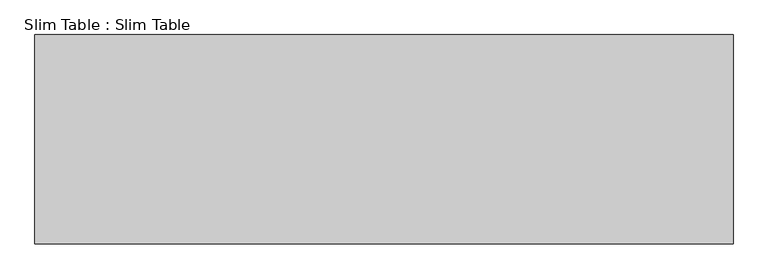
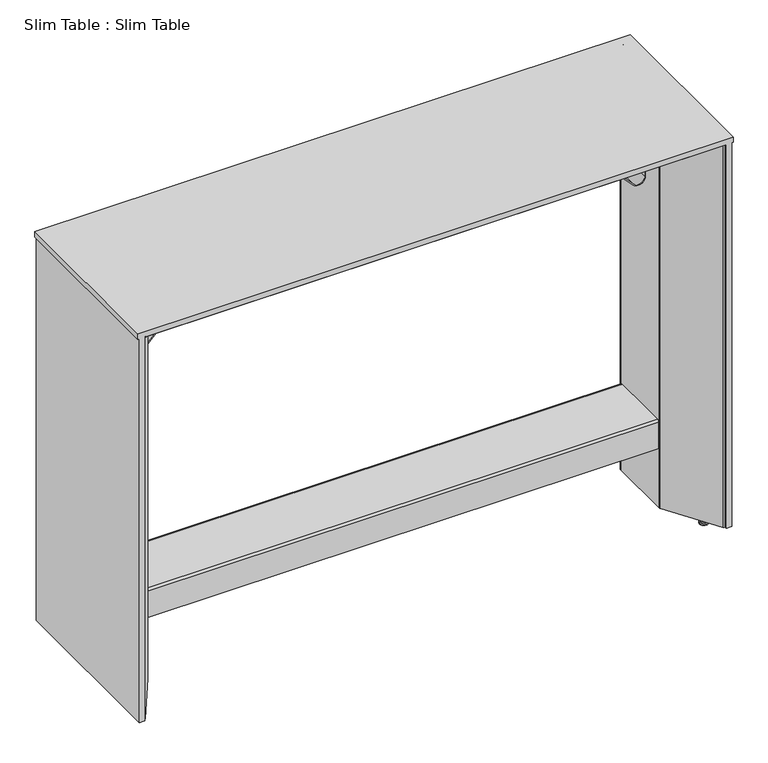
"""IFC4 building model written with IfcOpenShell, lengths in millimetres: furniture geometry, Slim Table : Slim Table."""

from ifc_helpers import new_model, si_unit, point, frame, frame_2d, origin, place, context, project, spatial, polyline, circle_curve, ellipse_curve, trimmed, segment, composite_curve, outline, extrude, source, transform, mapped, element, save
from ifc_brep_helpers import plane_surface, cylinder_surface, revolved_surface, advanced_brep


def slim_table_slim_table_7ae61c7c(model_context):
    return source(origin(), model_context, "Body", "SolidModel", [
        advanced_brep(
        [(726.22973, -167.4830032, 35.5612408), (718.1611758, -167.4830032, 35.5612408), (719.2544866, -167.4830032, 36.5979024), (725.1364192, -167.4830032, 36.5979024), (726.22973, -167.4830032, 11.2847127), (718.1611758, -167.4830032, 11.2847127), (729.7970571, -167.4830032, 11.2847127), (714.5938487, -167.4830032, 11.2847127), (729.7970571, -167.4830032, 7.8393456), (714.5938487, -167.4830032, 7.8393456), (730.8032245, -167.4830032, 5.1867171), (713.5876813, -167.4830032, 5.1867171), (733.3202402, -167.4830032, 3.0183553), (711.0706656, -167.4830032, 3.0183553), (733.3202402, -167.4830032, 0.0), (711.0706656, -167.4830032, 0.0), (722.1954526, -167.4830032, 0.0), (722.1954526, -167.4830032, 36.5979024)],
        [
            (0, 1, circle_curve(frame((722.1954529, -167.4830032, 35.5612408), z_axis=(0.0, 0.0, 1.0), x_axis=(-1.0, 0.0, 0.0)), 4.0342771)),
            (1, 2),
            (2, 3, circle_curve(frame((722.1954529, -167.4830032, 36.5979024), z_axis=(0.0, 0.0, -1.0), x_axis=(-1.0, 0.0, 0.0)), 2.9409663)),
            (3, 0),
            (1, 0, circle_curve(frame((722.1954529, -167.4830032, 35.5612408), z_axis=(0.0, 0.0, 1.0), x_axis=(-1.0, 0.0, 0.0)), 4.0342771)),
            (3, 2, circle_curve(frame((722.1954529, -167.4830032, 36.5979024), z_axis=(0.0, 0.0, -1.0), x_axis=(-1.0, 0.0, 0.0)), 2.9409663)),
            (4, 5, circle_curve(frame((722.1954529, -167.4830032, 11.2847127), z_axis=(0.0, 0.0, 1.0), x_axis=(-1.0, 0.0, 0.0)), 4.0342771)),
            (5, 1),
            (0, 4),
            (5, 4, circle_curve(frame((722.1954529, -167.4830032, 11.2847127), z_axis=(0.0, 0.0, 1.0), x_axis=(-1.0, 0.0, 0.0)), 4.0342771)),
            (6, 7, circle_curve(frame((722.1954529, -167.4830032, 11.2847127), z_axis=(0.0, 0.0, 1.0), x_axis=(-1.0, 0.0, 0.0)), 7.6016042)),
            (7, 5),
            (4, 6),
            (7, 6, circle_curve(frame((722.1954529, -167.4830032, 11.2847127), z_axis=(0.0, 0.0, 1.0), x_axis=(-1.0, 0.0, 0.0)), 7.6016042)),
            (8, 9, circle_curve(frame((722.1954529, -167.4830032, 7.8393456), z_axis=(0.0, 0.0, 1.0), x_axis=(-1.0, 0.0, 0.0)), 7.6016042)),
            (9, 7),
            (6, 8),
            (9, 8, circle_curve(frame((722.1954529, -167.4830032, 7.8393456), z_axis=(0.0, 0.0, 1.0), x_axis=(-1.0, 0.0, 0.0)), 7.6016042)),
            (10, 11, circle_curve(frame((722.1954529, -167.4830032, 5.1867171), z_axis=(0.0, 0.0, 1.0), x_axis=(-1.0, 0.0, 0.0)), 8.6077716)),
            (11, 9),
            (8, 10),
            (11, 10, circle_curve(frame((722.1954529, -167.4830032, 5.1867171), z_axis=(0.0, 0.0, 1.0), x_axis=(-1.0, 0.0, 0.0)), 8.6077716)),
            (12, 13, circle_curve(frame((722.1954529, -167.4830032, 3.0183553), z_axis=(0.0, 0.0, 1.0), x_axis=(-1.0, 0.0, 0.0)), 11.1247873)),
            (13, 11),
            (10, 12),
            (13, 12, circle_curve(frame((722.1954529, -167.4830032, 3.0183553), z_axis=(0.0, 0.0, 1.0), x_axis=(-1.0, 0.0, 0.0)), 11.1247873)),
            (14, 15, circle_curve(frame((722.1954529, -167.4830032, 0.0), z_axis=(0.0, 0.0, 1.0), x_axis=(-1.0, 0.0, 0.0)), 11.1247873)),
            (15, 13),
            (12, 14),
            (15, 14, circle_curve(frame((722.1954529, -167.4830032, 0.0), z_axis=(0.0, 0.0, 1.0), x_axis=(-1.0, 0.0, 0.0)), 11.1247873)),
            (16, 15),
            (14, 16),
            (2, 17),
            (17, 3),
        ],
        [
            revolved_surface(polyline([(719.2544866, -167.4830032, 36.5979024), (718.1611758, -167.4830032, 35.5612408)]), (722.1954529, -167.4830032, 42.7371167), (0.0, 0.0, -1.0)),
            cylinder_surface(frame((722.1954529, -167.4830032, 42.7371167), z_axis=(0.0, 0.0, -1.0), x_axis=(-1.0, 0.0, 0.0)), 4.0342771),
            plane_surface(frame((722.1954529, -167.4830032, 11.2847127), z_axis=(0.0, 0.0, 1.0), x_axis=(-1.0, 0.0, 0.0))),
            cylinder_surface(frame((722.1954529, -167.4830032, 42.7371167), z_axis=(0.0, 0.0, -1.0), x_axis=(-1.0, 0.0, 0.0)), 7.6016042),
            revolved_surface(polyline([(714.5938487, -167.4830032, 7.8393456), (713.5876813, -167.4830032, 5.1867171)]), (722.1954529, -167.4830032, 42.7371167), (0.0, 0.0, -1.0)),
            revolved_surface(polyline([(713.5876813, -167.4830032, 5.1867171), (711.0706656, -167.4830032, 3.0183553)]), (722.1954529, -167.4830032, 42.7371167), (0.0, 0.0, -1.0)),
            cylinder_surface(frame((722.1954529, -167.4830032, 42.7371167), z_axis=(0.0, 0.0, -1.0), x_axis=(-1.0, 0.0, 0.0)), 11.1247873),
            plane_surface(frame((722.1954529, -167.4830032, 0.0), z_axis=(0.0, 0.0, -1.0), x_axis=(-1.0, 0.0, 0.0))),
            plane_surface(frame((722.1954529, -167.4830032, 36.5979024), z_axis=(0.0, 0.0, 1.0), x_axis=(-1.0, 0.0, 0.0))),
        ],
        [
            (0, [[1, 2, 3, 4]]),
            (0, [[5, -4, 6, -2]]),
            (1, [[7, 8, -1, 9]]),
            (1, [[10, -9, -5, -8]]),
            (2, [[11, 12, -7, 13]]),
            (2, [[14, -13, -10, -12]]),
            (3, [[15, 16, -11, 17]]),
            (3, [[18, -17, -14, -16]]),
            (4, [[19, 20, -15, 21]]),
            (4, [[22, -21, -18, -20]]),
            (5, [[23, 24, -19, 25]]),
            (5, [[26, -25, -22, -24]]),
            (6, [[27, 28, -23, 29]]),
            (6, [[30, -29, -26, -28]]),
            (7, [[31, -27, 32]]),
            (7, [[-32, -30, -31]]),
            (8, [[-3, 33, 34]]),
            (8, [[-6, -34, -33]]),
        ],
    ),
        advanced_brep(
        [(726.22973, 167.4676789, 35.5612408), (718.1611758, 167.4676789, 35.5612408), (719.2544866, 167.4676789, 36.5979024), (725.1364192, 167.4676789, 36.5979024), (726.22973, 167.4676789, 11.2847127), (718.1611758, 167.4676789, 11.2847127), (729.7970571, 167.4676789, 11.2847127), (714.5938487, 167.4676789, 11.2847127), (729.7970571, 167.4676789, 7.8393456), (714.5938487, 167.4676789, 7.8393456), (730.8032245, 167.4676789, 5.1867171), (713.5876813, 167.4676789, 5.1867171), (733.3202402, 167.4676789, 3.0183553), (711.0706656, 167.4676789, 3.0183553), (733.3202402, 167.4676789, 0.0), (711.0706656, 167.4676789, 0.0), (722.1954526, 167.4676789, 0.0), (722.1954526, 167.4676789, 36.5979024)],
        [
            (0, 1, circle_curve(frame((722.1954529, 167.4676789, 35.5612408), z_axis=(0.0, 0.0, 1.0), x_axis=(-1.0, 0.0, 0.0)), 4.0342771)),
            (1, 2),
            (2, 3, circle_curve(frame((722.1954529, 167.4676789, 36.5979024), z_axis=(0.0, 0.0, -1.0), x_axis=(-1.0, 0.0, 0.0)), 2.9409663)),
            (3, 0),
            (1, 0, circle_curve(frame((722.1954529, 167.4676789, 35.5612408), z_axis=(0.0, 0.0, 1.0), x_axis=(-1.0, 0.0, 0.0)), 4.0342771)),
            (3, 2, circle_curve(frame((722.1954529, 167.4676789, 36.5979024), z_axis=(0.0, 0.0, -1.0), x_axis=(-1.0, 0.0, 0.0)), 2.9409663)),
            (4, 5, circle_curve(frame((722.1954529, 167.4676789, 11.2847127), z_axis=(0.0, 0.0, 1.0), x_axis=(-1.0, 0.0, 0.0)), 4.0342771)),
            (5, 1),
            (0, 4),
            (5, 4, circle_curve(frame((722.1954529, 167.4676789, 11.2847127), z_axis=(0.0, 0.0, 1.0), x_axis=(-1.0, 0.0, 0.0)), 4.0342771)),
            (6, 7, circle_curve(frame((722.1954529, 167.4676789, 11.2847127), z_axis=(0.0, 0.0, 1.0), x_axis=(-1.0, 0.0, 0.0)), 7.6016042)),
            (7, 5),
            (4, 6),
            (7, 6, circle_curve(frame((722.1954529, 167.4676789, 11.2847127), z_axis=(0.0, 0.0, 1.0), x_axis=(-1.0, 0.0, 0.0)), 7.6016042)),
            (8, 9, circle_curve(frame((722.1954529, 167.4676789, 7.8393456), z_axis=(0.0, 0.0, 1.0), x_axis=(-1.0, 0.0, 0.0)), 7.6016042)),
            (9, 7),
            (6, 8),
            (9, 8, circle_curve(frame((722.1954529, 167.4676789, 7.8393456), z_axis=(0.0, 0.0, 1.0), x_axis=(-1.0, 0.0, 0.0)), 7.6016042)),
            (10, 11, circle_curve(frame((722.1954529, 167.4676789, 5.1867171), z_axis=(0.0, 0.0, 1.0), x_axis=(-1.0, 0.0, 0.0)), 8.6077716)),
            (11, 9),
            (8, 10),
            (11, 10, circle_curve(frame((722.1954529, 167.4676789, 5.1867171), z_axis=(0.0, 0.0, 1.0), x_axis=(-1.0, 0.0, 0.0)), 8.6077716)),
            (12, 13, circle_curve(frame((722.1954529, 167.4676789, 3.0183553), z_axis=(0.0, 0.0, 1.0), x_axis=(-1.0, 0.0, 0.0)), 11.1247873)),
            (13, 11),
            (10, 12),
            (13, 12, circle_curve(frame((722.1954529, 167.4676789, 3.0183553), z_axis=(0.0, 0.0, 1.0), x_axis=(-1.0, 0.0, 0.0)), 11.1247873)),
            (14, 15, circle_curve(frame((722.1954529, 167.4676789, 0.0), z_axis=(0.0, 0.0, 1.0), x_axis=(-1.0, 0.0, 0.0)), 11.1247873)),
            (15, 13),
            (12, 14),
            (15, 14, circle_curve(frame((722.1954529, 167.4676789, 0.0), z_axis=(0.0, 0.0, 1.0), x_axis=(-1.0, 0.0, 0.0)), 11.1247873)),
            (16, 15),
            (14, 16),
            (2, 17),
            (17, 3),
        ],
        [
            revolved_surface(polyline([(719.2544866, 167.4676789, 36.5979024), (718.1611758, 167.4676789, 35.5612408)]), (722.1954529, 167.4676789, 42.7371167), (0.0, 0.0, -1.0)),
            cylinder_surface(frame((722.1954529, 167.4676789, 42.7371167), z_axis=(0.0, 0.0, -1.0), x_axis=(-1.0, 0.0, 0.0)), 4.0342771),
            plane_surface(frame((722.1954529, 167.4676789, 11.2847127), z_axis=(0.0, 0.0, 1.0), x_axis=(-1.0, 0.0, 0.0))),
            cylinder_surface(frame((722.1954529, 167.4676789, 42.7371167), z_axis=(0.0, 0.0, -1.0), x_axis=(-1.0, 0.0, 0.0)), 7.6016042),
            revolved_surface(polyline([(714.5938487, 167.4676789, 7.8393456), (713.5876813, 167.4676789, 5.1867171)]), (722.1954529, 167.4676789, 42.7371167), (0.0, 0.0, -1.0)),
            revolved_surface(polyline([(713.5876813, 167.4676789, 5.1867171), (711.0706656, 167.4676789, 3.0183553)]), (722.1954529, 167.4676789, 42.7371167), (0.0, 0.0, -1.0)),
            cylinder_surface(frame((722.1954529, 167.4676789, 42.7371167), z_axis=(0.0, 0.0, -1.0), x_axis=(-1.0, 0.0, 0.0)), 11.1247873),
            plane_surface(frame((722.1954529, 167.4676789, 0.0), z_axis=(0.0, 0.0, -1.0), x_axis=(-1.0, 0.0, 0.0))),
            plane_surface(frame((722.1954529, 167.4676789, 36.5979024), z_axis=(0.0, 0.0, 1.0), x_axis=(-1.0, 0.0, 0.0))),
        ],
        [
            (0, [[1, 2, 3, 4]]),
            (0, [[5, -4, 6, -2]]),
            (1, [[7, 8, -1, 9]]),
            (1, [[10, -9, -5, -8]]),
            (2, [[11, 12, -7, 13]]),
            (2, [[14, -13, -10, -12]]),
            (3, [[15, 16, -11, 17]]),
            (3, [[18, -17, -14, -16]]),
            (4, [[19, 20, -15, 21]]),
            (4, [[22, -21, -18, -20]]),
            (5, [[23, 24, -19, 25]]),
            (5, [[26, -25, -22, -24]]),
            (6, [[27, 28, -23, 29]]),
            (6, [[30, -29, -26, -28]]),
            (7, [[31, -27, 32]]),
            (7, [[-32, -30, -31]]),
            (8, [[-3, 33, 34]]),
            (8, [[-6, -34, -33]]),
        ],
    ),
        advanced_brep(
        [(-718.1571153, 167.4682602, 35.5612408), (-726.2256696, 167.4682602, 35.5612408), (-725.1323588, 167.4682602, 36.5979024), (-719.2504261, 167.4682602, 36.5979024), (-718.1571153, 167.4682602, 11.2847127), (-726.2256696, 167.4682602, 11.2847127), (-714.5897882, 167.4682602, 11.2847127), (-729.7929966, 167.4682602, 11.2847127), (-714.5897882, 167.4682602, 7.8393456), (-729.7929966, 167.4682602, 7.8393456), (-713.5836209, 167.4682602, 5.1867171), (-730.799164, 167.4682602, 5.1867171), (-711.0666052, 167.4682602, 3.0183553), (-733.3161797, 167.4682602, 3.0183553), (-711.0666052, 167.4682602, 0.0), (-733.3161797, 167.4682602, 0.0), (-722.1913927, 167.4682602, 0.0), (-722.1913927, 167.4682602, 36.5979024)],
        [
            (0, 1, circle_curve(frame((-722.1913924, 167.4682602, 35.5612408), z_axis=(0.0, 0.0, 1.0), x_axis=(-1.0, 0.0, 0.0)), 4.0342771)),
            (1, 2),
            (2, 3, circle_curve(frame((-722.1913924, 167.4682602, 36.5979024), z_axis=(0.0, 0.0, -1.0), x_axis=(-1.0, 0.0, 0.0)), 2.9409663)),
            (3, 0),
            (1, 0, circle_curve(frame((-722.1913924, 167.4682602, 35.5612408), z_axis=(0.0, 0.0, 1.0), x_axis=(-1.0, 0.0, 0.0)), 4.0342771)),
            (3, 2, circle_curve(frame((-722.1913924, 167.4682602, 36.5979024), z_axis=(0.0, 0.0, -1.0), x_axis=(-1.0, 0.0, 0.0)), 2.9409663)),
            (4, 5, circle_curve(frame((-722.1913924, 167.4682602, 11.2847127), z_axis=(0.0, 0.0, 1.0), x_axis=(-1.0, 0.0, 0.0)), 4.0342771)),
            (5, 1),
            (0, 4),
            (5, 4, circle_curve(frame((-722.1913924, 167.4682602, 11.2847127), z_axis=(0.0, 0.0, 1.0), x_axis=(-1.0, 0.0, 0.0)), 4.0342771)),
            (6, 7, circle_curve(frame((-722.1913924, 167.4682602, 11.2847127), z_axis=(0.0, 0.0, 1.0), x_axis=(-1.0, 0.0, 0.0)), 7.6016042)),
            (7, 5),
            (4, 6),
            (7, 6, circle_curve(frame((-722.1913924, 167.4682602, 11.2847127), z_axis=(0.0, 0.0, 1.0), x_axis=(-1.0, 0.0, 0.0)), 7.6016042)),
            (8, 9, circle_curve(frame((-722.1913924, 167.4682602, 7.8393456), z_axis=(0.0, 0.0, 1.0), x_axis=(-1.0, 0.0, 0.0)), 7.6016042)),
            (9, 7),
            (6, 8),
            (9, 8, circle_curve(frame((-722.1913924, 167.4682602, 7.8393456), z_axis=(0.0, 0.0, 1.0), x_axis=(-1.0, 0.0, 0.0)), 7.6016042)),
            (10, 11, circle_curve(frame((-722.1913924, 167.4682602, 5.1867171), z_axis=(0.0, 0.0, 1.0), x_axis=(-1.0, 0.0, 0.0)), 8.6077716)),
            (11, 9),
            (8, 10),
            (11, 10, circle_curve(frame((-722.1913924, 167.4682602, 5.1867171), z_axis=(0.0, 0.0, 1.0), x_axis=(-1.0, 0.0, 0.0)), 8.6077716)),
            (12, 13, circle_curve(frame((-722.1913924, 167.4682602, 3.0183553), z_axis=(0.0, 0.0, 1.0), x_axis=(-1.0, 0.0, 0.0)), 11.1247873)),
            (13, 11),
            (10, 12),
            (13, 12, circle_curve(frame((-722.1913924, 167.4682602, 3.0183553), z_axis=(0.0, 0.0, 1.0), x_axis=(-1.0, 0.0, 0.0)), 11.1247873)),
            (14, 15, circle_curve(frame((-722.1913924, 167.4682602, 0.0), z_axis=(0.0, 0.0, 1.0), x_axis=(-1.0, 0.0, 0.0)), 11.1247873)),
            (15, 13),
            (12, 14),
            (15, 14, circle_curve(frame((-722.1913924, 167.4682602, 0.0), z_axis=(0.0, 0.0, 1.0), x_axis=(-1.0, 0.0, 0.0)), 11.1247873)),
            (16, 15),
            (14, 16),
            (2, 17),
            (17, 3),
        ],
        [
            revolved_surface(polyline([(-725.1323588, 167.4682602, 36.5979024), (-726.2256696, 167.4682602, 35.5612408)]), (-722.1913924, 167.4682602, 42.7371167), (0.0, 0.0, -1.0)),
            cylinder_surface(frame((-722.1913924, 167.4682602, 42.7371167), z_axis=(0.0, 0.0, -1.0), x_axis=(-1.0, 0.0, 0.0)), 4.0342771),
            plane_surface(frame((-722.1913924, 167.4682602, 11.2847127), z_axis=(0.0, 0.0, 1.0), x_axis=(-1.0, 0.0, 0.0))),
            cylinder_surface(frame((-722.1913924, 167.4682602, 42.7371167), z_axis=(0.0, 0.0, -1.0), x_axis=(-1.0, 0.0, 0.0)), 7.6016042),
            revolved_surface(polyline([(-729.7929966, 167.4682602, 7.8393456), (-730.799164, 167.4682602, 5.1867171)]), (-722.1913924, 167.4682602, 42.7371167), (0.0, 0.0, -1.0)),
            revolved_surface(polyline([(-730.799164, 167.4682602, 5.1867171), (-733.3161797, 167.4682602, 3.0183553)]), (-722.1913924, 167.4682602, 42.7371167), (0.0, 0.0, -1.0)),
            cylinder_surface(frame((-722.1913924, 167.4682602, 42.7371167), z_axis=(0.0, 0.0, -1.0), x_axis=(-1.0, 0.0, 0.0)), 11.1247873),
            plane_surface(frame((-722.1913924, 167.4682602, 0.0), z_axis=(0.0, 0.0, -1.0), x_axis=(-1.0, 0.0, 0.0))),
            plane_surface(frame((-722.1913924, 167.4682602, 36.5979024), z_axis=(0.0, 0.0, 1.0), x_axis=(-1.0, 0.0, 0.0))),
        ],
        [
            (0, [[1, 2, 3, 4]]),
            (0, [[5, -4, 6, -2]]),
            (1, [[7, 8, -1, 9]]),
            (1, [[10, -9, -5, -8]]),
            (2, [[11, 12, -7, 13]]),
            (2, [[14, -13, -10, -12]]),
            (3, [[15, 16, -11, 17]]),
            (3, [[18, -17, -14, -16]]),
            (4, [[19, 20, -15, 21]]),
            (4, [[22, -21, -18, -20]]),
            (5, [[23, 24, -19, 25]]),
            (5, [[26, -25, -22, -24]]),
            (6, [[27, 28, -23, 29]]),
            (6, [[30, -29, -26, -28]]),
            (7, [[31, -27, 32]]),
            (7, [[-32, -30, -31]]),
            (8, [[-3, 33, 34]]),
            (8, [[-6, -34, -33]]),
        ],
    ),
        advanced_brep(
        [(-718.1571153, -167.4824097, 35.5612408), (-726.2256696, -167.4824097, 35.5612408), (-725.1323588, -167.4824097, 36.5979024), (-719.2504261, -167.4824097, 36.5979024), (-718.1571153, -167.4824097, 11.2847127), (-726.2256696, -167.4824097, 11.2847127), (-714.5897882, -167.4824097, 11.2847127), (-729.7929966, -167.4824097, 11.2847127), (-714.5897882, -167.4824097, 7.8393456), (-729.7929966, -167.4824097, 7.8393456), (-713.5836209, -167.4824097, 5.1867171), (-730.799164, -167.4824097, 5.1867171), (-711.0666052, -167.4824097, 3.0183553), (-733.3161797, -167.4824097, 3.0183553), (-711.0666052, -167.4824097, 0.0), (-733.3161797, -167.4824097, 0.0), (-722.1913927, -167.4824097, 0.0), (-722.1913927, -167.4824097, 36.5979024)],
        [
            (0, 1, circle_curve(frame((-722.1913924, -167.4824097, 35.5612408), z_axis=(0.0, 0.0, 1.0), x_axis=(-1.0, 0.0, 0.0)), 4.0342771)),
            (1, 2),
            (2, 3, circle_curve(frame((-722.1913924, -167.4824097, 36.5979024), z_axis=(0.0, 0.0, -1.0), x_axis=(-1.0, 0.0, 0.0)), 2.9409663)),
            (3, 0),
            (1, 0, circle_curve(frame((-722.1913924, -167.4824097, 35.5612408), z_axis=(0.0, 0.0, 1.0), x_axis=(-1.0, 0.0, 0.0)), 4.0342771)),
            (3, 2, circle_curve(frame((-722.1913924, -167.4824097, 36.5979024), z_axis=(0.0, 0.0, -1.0), x_axis=(-1.0, 0.0, 0.0)), 2.9409663)),
            (4, 5, circle_curve(frame((-722.1913924, -167.4824097, 11.2847127), z_axis=(0.0, 0.0, 1.0), x_axis=(-1.0, 0.0, 0.0)), 4.0342771)),
            (5, 1),
            (0, 4),
            (5, 4, circle_curve(frame((-722.1913924, -167.4824097, 11.2847127), z_axis=(0.0, 0.0, 1.0), x_axis=(-1.0, 0.0, 0.0)), 4.0342771)),
            (6, 7, circle_curve(frame((-722.1913924, -167.4824097, 11.2847127), z_axis=(0.0, 0.0, 1.0), x_axis=(-1.0, 0.0, 0.0)), 7.6016042)),
            (7, 5),
            (4, 6),
            (7, 6, circle_curve(frame((-722.1913924, -167.4824097, 11.2847127), z_axis=(0.0, 0.0, 1.0), x_axis=(-1.0, 0.0, 0.0)), 7.6016042)),
            (8, 9, circle_curve(frame((-722.1913924, -167.4824097, 7.8393456), z_axis=(0.0, 0.0, 1.0), x_axis=(-1.0, 0.0, 0.0)), 7.6016042)),
            (9, 7),
            (6, 8),
            (9, 8, circle_curve(frame((-722.1913924, -167.4824097, 7.8393456), z_axis=(0.0, 0.0, 1.0), x_axis=(-1.0, 0.0, 0.0)), 7.6016042)),
            (10, 11, circle_curve(frame((-722.1913924, -167.4824097, 5.1867171), z_axis=(0.0, 0.0, 1.0), x_axis=(-1.0, 0.0, 0.0)), 8.6077716)),
            (11, 9),
            (8, 10),
            (11, 10, circle_curve(frame((-722.1913924, -167.4824097, 5.1867171), z_axis=(0.0, 0.0, 1.0), x_axis=(-1.0, 0.0, 0.0)), 8.6077716)),
            (12, 13, circle_curve(frame((-722.1913924, -167.4824097, 3.0183553), z_axis=(0.0, 0.0, 1.0), x_axis=(-1.0, 0.0, 0.0)), 11.1247873)),
            (13, 11),
            (10, 12),
            (13, 12, circle_curve(frame((-722.1913924, -167.4824097, 3.0183553), z_axis=(0.0, 0.0, 1.0), x_axis=(-1.0, 0.0, 0.0)), 11.1247873)),
            (14, 15, circle_curve(frame((-722.1913924, -167.4824097, 0.0), z_axis=(0.0, 0.0, 1.0), x_axis=(-1.0, 0.0, 0.0)), 11.1247873)),
            (15, 13),
            (12, 14),
            (15, 14, circle_curve(frame((-722.1913924, -167.4824097, 0.0), z_axis=(0.0, 0.0, 1.0), x_axis=(-1.0, 0.0, 0.0)), 11.1247873)),
            (16, 15),
            (14, 16),
            (2, 17),
            (17, 3),
        ],
        [
            revolved_surface(polyline([(-725.1323588, -167.4824097, 36.5979024), (-726.2256696, -167.4824097, 35.5612408)]), (-722.1913924, -167.4824097, 42.7371167), (0.0, 0.0, -1.0)),
            cylinder_surface(frame((-722.1913924, -167.4824097, 42.7371167), z_axis=(0.0, 0.0, -1.0), x_axis=(-1.0, 0.0, 0.0)), 4.0342771),
            plane_surface(frame((-722.1913924, -167.4824097, 11.2847127), z_axis=(0.0, 0.0, 1.0), x_axis=(-1.0, 0.0, 0.0))),
            cylinder_surface(frame((-722.1913924, -167.4824097, 42.7371167), z_axis=(0.0, 0.0, -1.0), x_axis=(-1.0, 0.0, 0.0)), 7.6016042),
            revolved_surface(polyline([(-729.7929966, -167.4824097, 7.8393456), (-730.799164, -167.4824097, 5.1867171)]), (-722.1913924, -167.4824097, 42.7371167), (0.0, 0.0, -1.0)),
            revolved_surface(polyline([(-730.799164, -167.4824097, 5.1867171), (-733.3161797, -167.4824097, 3.0183553)]), (-722.1913924, -167.4824097, 42.7371167), (0.0, 0.0, -1.0)),
            cylinder_surface(frame((-722.1913924, -167.4824097, 42.7371167), z_axis=(0.0, 0.0, -1.0), x_axis=(-1.0, 0.0, 0.0)), 11.1247873),
            plane_surface(frame((-722.1913924, -167.4824097, 0.0), z_axis=(0.0, 0.0, -1.0), x_axis=(-1.0, 0.0, 0.0))),
            plane_surface(frame((-722.1913924, -167.4824097, 36.5979024), z_axis=(0.0, 0.0, 1.0), x_axis=(-1.0, 0.0, 0.0))),
        ],
        [
            (0, [[1, 2, 3, 4]]),
            (0, [[5, -4, 6, -2]]),
            (1, [[7, 8, -1, 9]]),
            (1, [[10, -9, -5, -8]]),
            (2, [[11, 12, -7, 13]]),
            (2, [[14, -13, -10, -12]]),
            (3, [[15, 16, -11, 17]]),
            (3, [[18, -17, -14, -16]]),
            (4, [[19, 20, -15, 21]]),
            (4, [[22, -21, -18, -20]]),
            (5, [[23, 24, -19, 25]]),
            (5, [[26, -25, -22, -24]]),
            (6, [[27, 28, -23, 29]]),
            (6, [[30, -29, -26, -28]]),
            (7, [[31, -27, 32]]),
            (7, [[-32, -30, -31]]),
            (8, [[-3, 33, 34]]),
            (8, [[-6, -34, -33]]),
        ],
    ),
        extrude(outline(composite_curve([segment(polyline([(893.7571646, -593.7518814), (895.1120937, -595.1068105), (864.7358803, -624.3678486)]), True, "CONTINUOUS"), segment(trimmed(circle_curve(frame_2d((876.2310587, -636.3088201)), 16.5748583), [point((864.7358803, -624.3678486))], [point((876.2467087, -652.883671))], True, "CARTESIAN"), True, "CONTINUOUS"), segment(polyline([(876.2467087, -652.883671), (930.5717842, -652.8323773), (930.5717842, -654.7908457), (876.0013408, -654.8095702)]), True, "CONTINUOUS"), segment(trimmed(circle_curve(frame_2d((875.8861817, -636.4847204)), 18.3252116), [point((876.0013408, -654.8095702))], [point((863.1564224, -623.3026641))], False, "CARTESIAN"), True, "CONTINUOUS"), segment(polyline([(863.1564224, -623.3026641), (893.7571646, -593.7518814)]), True, "CONTINUOUS")], self_intersect=False)), frame((0.0, -25.3986662, 0.0), z_axis=(0.0, 1.0, 0.0), x_axis=(0.0, 0.0, 1.0)), (0.0, 0.0, 1.0), 50.8),
        extrude(outline(composite_curve([segment(polyline([(893.7571646, 593.7518814), (863.1564224, 623.3026641)]), True, "CONTINUOUS"), segment(trimmed(circle_curve(frame_2d((875.8861817, 636.4847204)), 18.3252116), [point((863.1564224, 623.3026641))], [point((876.0013408, 654.8095702))], False, "CARTESIAN"), True, "CONTINUOUS"), segment(polyline([(876.0013408, 654.8095702), (930.5717842, 654.7908457), (930.5717842, 652.8323773), (876.2467087, 652.883671)]), True, "CONTINUOUS"), segment(trimmed(circle_curve(frame_2d((876.2310587, 636.3088201)), 16.5748583), [point((876.2467087, 652.883671))], [point((864.7358803, 624.3678486))], True, "CARTESIAN"), True, "CONTINUOUS"), segment(polyline([(864.7358803, 624.3678486), (895.1120937, 595.1068105), (893.7571646, 593.7518814)]), True, "CONTINUOUS")], self_intersect=False)), frame((0.0, -25.3986662, 0.0), z_axis=(0.0, 1.0, 0.0), x_axis=(0.0, 0.0, 1.0)), (0.0, 0.0, 1.0), 50.8),
        extrude(outline(composite_curve([segment(polyline([(-81.3329837, 173.9720602), (-83.9999539, 173.9720602), (-83.9999539, 244.8559259)]), True, "CONTINUOUS"), segment(trimmed(circle_curve(frame_2d((-78.6838681, 244.8559259)), 5.3160858), [point((-83.9999539, 244.8559259))], [point((-78.6838681, 250.1720118))], False, "CARTESIAN"), True, "CONTINUOUS"), segment(polyline([(-78.6838681, 250.1720118), (78.6801131, 250.1720118)]), True, "CONTINUOUS"), segment(trimmed(circle_curve(frame_2d((78.6801131, 244.8521407)), 5.319871), [point((78.6801131, 250.1720118))], [point((83.9999842, 244.8521407))], False, "CARTESIAN"), True, "CONTINUOUS"), segment(polyline([(83.9999842, 244.8521407), (83.9999842, 173.9720602), (81.3330079, 173.9720602), (81.3841676, 244.332155)]), True, "CONTINUOUS"), segment(trimmed(circle_curve(frame_2d((78.1598489, 244.332155)), 3.2243187), [point((81.3841676, 244.332155))], [point((78.1598489, 247.5564737))], True, "CARTESIAN"), True, "CONTINUOUS"), segment(polyline([(78.1598489, 247.5564737), (-78.1624892, 247.5564737)]), True, "CONTINUOUS"), segment(trimmed(circle_curve(frame_2d((-78.1624892, 244.3345531)), 3.2219206), [point((-78.1624892, 247.5564737))], [point((-81.3844098, 244.3345531))], True, "CARTESIAN"), True, "CONTINUOUS"), segment(polyline([(-81.3844098, 244.3345531), (-81.3329837, 173.9720602)]), True, "CONTINUOUS")], self_intersect=False)), frame((-655.6422902, 0.0, 0.0), z_axis=(1.0, 0.0, 0.0), x_axis=(0.0, 1.0, 0.0)), (0.0, 0.0, 1.0), 1311.2876385),
        advanced_brep(
        [(-656.1928771, -89.033848, 13.5719913), (-739.1312881, -221.7629832, 13.5719913), (-744.7493481, -220.1520297, 13.5719913), (-744.7493481, -194.9995739, 13.5719913), (-743.8563794, -194.9995739, 13.5719913), (-743.8563794, -220.1520297, 13.5719913), (-739.8885684, -221.2897817, 13.5719913), (-656.9501574, -88.5606465, 13.5719913), (-655.6423083, -83.9996386, 13.5719913), (-655.642272, 84.0004083, 13.5719913), (-656.9496163, 88.559662, 13.5719913), (-739.8884984, 221.2896333, 13.5719913), (-743.8563052, 220.151884, 13.5719913), (-743.8563156, 194.9994468, 13.5719913), (-744.7492391, 194.9994468, 13.5719913), (-744.7492739, 220.1518844, 13.5719913), (-739.1312179, 221.7628346, 13.5719913), (-656.1923359, 89.0328632, 13.5719913), (-654.7493032, 84.0004081, 13.5719913), (-654.7493396, -83.9996388, 13.5719913), (-656.1928771, -89.033848, 964.6345698), (-739.1312881, -221.7629832, 1047.5729807), (-744.7493481, -220.1520297, 1053.1910408), (-744.7493481, -194.9995739, 1053.1910408), (744.7524063, -194.9995739, 1053.1910408), (744.7524063, -194.9995739, 13.571846), (743.8594376, -194.9995739, 13.571846), (743.8594376, -194.9995739, 1052.2980721), (-743.8563794, -194.9995739, 1052.2980721), (-743.8563794, -220.1520297, 1052.2980721), (-739.8885684, -221.2897817, 1048.3302611), (-656.9501574, -88.5606465, 965.3918501), (-655.6423083, -83.9996386, 964.084001), (-655.642272, 84.0004083, 964.0839647), (-656.9496163, 88.559662, 965.391309), (-739.8884984, 221.2896333, 1048.3301911), (-743.8563052, 220.151884, 1052.2979979), (-743.8563156, 194.9994468, 1052.2980083), (743.8593738, 194.9994468, 1052.2980083), (743.8593738, 194.9994468, 13.571846), (744.7522973, 194.9994468, 13.571846), (744.7522973, 194.9994468, 1053.1909318), (-744.7492391, 194.9994468, 1053.1909318), (-744.7492739, 220.1518844, 1053.1909666), (-739.1312179, 221.7628346, 1047.5729106), (-656.1923359, 89.0328632, 964.6340286), (-654.7493032, 84.0004081, 963.1909959), (-654.7493396, -83.9996388, 963.1910323), (656.1959353, -89.033848, 964.6345698), (739.1343463, -221.7629832, 1047.5729807), (744.7524063, -220.1520297, 1053.1910408), (743.8594376, -220.1520297, 1052.2980721), (739.8916266, -221.2897817, 1048.3302611), (656.9532156, -88.5606465, 965.3918501), (655.6453665, -83.9996386, 964.084001), (655.6453302, 84.0004083, 964.0839647), (656.9526745, 88.559662, 965.391309), (739.8915566, 221.2896333, 1048.3301911), (743.8593634, 220.151884, 1052.2979979), (744.7523321, 220.1518844, 1053.1909666), (739.1342761, 221.7628346, 1047.5729106), (656.1953941, 89.0328632, 964.6340286), (654.7523614, 84.0004081, 963.1909959), (654.7523978, -83.9996388, 963.1910323), (656.1959353, -89.033848, 13.571846), (654.7523978, -83.9996388, 13.571846), (654.7523614, 84.0004081, 13.571846), (656.195394, 89.0328633, 13.571846), (739.1342761, 221.7628346, 13.571846), (744.7523321, 220.1518844, 13.571846), (743.8593634, 220.151884, 13.571846), (739.8915566, 221.2896333, 13.571846), (656.9526745, 88.5596619, 13.571846), (655.6453302, 84.0004083, 13.571846), (655.6453665, -83.9996386, 13.571846), (656.9532156, -88.5606465, 13.571846), (739.8916266, -221.2897817, 13.571846), (743.8594376, -220.1520297, 13.571846), (744.7524063, -220.1520297, 13.571846), (739.1343463, -221.7629832, 13.571846)],
        [
            (0, 1),
            (1, 2, circle_curve(frame((-741.7093513, -220.1520297, 13.5719913), z_axis=(0.0, 0.0, -1.0), x_axis=(1.0, 0.0, 0.0)), 3.0399969)),
            (2, 3),
            (3, 4),
            (4, 5),
            (5, 6, circle_curve(frame((-741.7093513, -220.1520297, 13.5719913), z_axis=(0.0, 0.0, 1.0), x_axis=(1.0, 0.0, 0.0)), 2.1470281)),
            (6, 7),
            (7, 8, circle_curve(frame((-664.2492951, -83.9996367, 13.5719913), z_axis=(0.0, 0.0, 1.0), x_axis=(1.0, 0.0, 0.0)), 8.6069868)),
            (8, 9),
            (9, 10, circle_curve(frame((-664.2459452, 84.0004101, 13.5719913), z_axis=(0.0, 0.0, 1.0), x_axis=(1.0, 0.0, 0.0)), 8.6036732)),
            (10, 11),
            (11, 12, circle_curve(frame((-741.7092795, 220.1518831, 13.5719913), z_axis=(0.0, 0.0, 1.0), x_axis=(1.0, 0.0, 0.0)), 2.1470257)),
            (12, 13),
            (13, 14),
            (14, 15),
            (15, 16, circle_curve(frame((-741.7092795, 220.1518831, 13.5719913), z_axis=(0.0, 0.0, -1.0), x_axis=(1.0, 0.0, 0.0)), 3.0399945)),
            (16, 17),
            (17, 18, circle_curve(frame((-664.2459452, 84.0004101, 13.5719913), z_axis=(0.0, 0.0, -1.0), x_axis=(1.0, 0.0, 0.0)), 9.496642)),
            (18, 19),
            (19, 0, circle_curve(frame((-664.2492951, -83.9996367, 13.5719913), z_axis=(0.0, 0.0, -1.0), x_axis=(1.0, 0.0, 0.0)), 9.4999556)),
            (0, 20),
            (20, 21),
            (21, 1),
            (21, 22, ellipse_curve(frame((-741.7093513, -220.1520297, 1050.1510439), z_axis=(-0.7071067811865475, 0.0, -0.7071067811865476), x_axis=(0.7071067811865475, 0.0, -0.7071067811865475)), 4.2992048, 3.0399969)),
            (22, 2),
            (22, 23),
            (23, 3),
            (23, 24),
            (24, 25),
            (25, 26),
            (26, 27),
            (27, 28),
            (28, 4),
            (28, 29),
            (29, 5),
            (29, 30, ellipse_curve(frame((-741.7093513, -220.1520297, 1050.1510439), z_axis=(0.7071067811865475, 0.0, 0.7071067811865476), x_axis=(-0.7071067811865475, 0.0, 0.7071067811865475)), 3.0363563, 2.1470281)),
            (30, 6),
            (30, 31),
            (31, 7),
            (31, 32, ellipse_curve(frame((-664.2492951, -83.9996367, 972.6909878), z_axis=(0.7071067811865475, 0.0, 0.7071067811865476), x_axis=(-0.7071067811865475, 0.0, 0.7071067811865475)), 12.1721175, 8.6069868)),
            (32, 8),
            (32, 33),
            (33, 9),
            (33, 34, ellipse_curve(frame((-664.2459452, 84.0004101, 972.6876379), z_axis=(0.7071067811865475, 0.0, 0.7071067811865476), x_axis=(-0.7071067811865475, 0.0, 0.7071067811865475)), 12.1674314, 8.6036732)),
            (34, 10),
            (34, 35),
            (35, 11),
            (35, 36, ellipse_curve(frame((-741.7092795, 220.1518831, 1050.1509722), z_axis=(0.7071067811865475, 0.0, 0.7071067811865476), x_axis=(-0.7071067811865475, 0.0, 0.7071067811865475)), 3.0363529, 2.1470257)),
            (36, 12),
            (36, 37),
            (37, 13),
            (37, 38),
            (38, 39),
            (39, 40),
            (40, 41),
            (41, 42),
            (42, 14),
            (42, 43),
            (43, 15),
            (43, 44, ellipse_curve(frame((-741.7092795, 220.1518831, 1050.1509722), z_axis=(-0.7071067811865475, 0.0, -0.7071067811865476), x_axis=(0.7071067811865475, 0.0, -0.7071067811865475)), 4.2992014, 3.0399945)),
            (44, 16),
            (44, 45),
            (45, 17),
            (45, 46, ellipse_curve(frame((-664.2459452, 84.0004101, 972.6876379), z_axis=(-0.7071067811865475, 0.0, -0.7071067811865476), x_axis=(0.7071067811865475, 0.0, -0.7071067811865475)), 13.4302799, 9.496642)),
            (46, 18),
            (46, 47),
            (47, 19),
            (47, 20, ellipse_curve(frame((-664.2492951, -83.9996367, 972.6909878), z_axis=(-0.7071067811865475, 0.0, -0.7071067811865476), x_axis=(0.7071067811865475, 0.0, -0.7071067811865475)), 13.434966, 9.4999556)),
            (20, 48),
            (48, 49),
            (49, 21),
            (49, 50, ellipse_curve(frame((741.7124095, -220.1520297, 1050.1510439), z_axis=(-0.7071067811865475, 0.0, 0.7071067811865475), x_axis=(-0.7071067811865476, 0.0, -0.7071067811865474)), 4.2992048, 3.0399969)),
            (50, 22),
            (50, 24),
            (27, 51),
            (51, 29),
            (51, 52, ellipse_curve(frame((741.7124095, -220.1520297, 1050.1510439), z_axis=(0.7071067811865475, 0.0, -0.7071067811865475), x_axis=(0.7071067811865476, 0.0, 0.7071067811865474)), 3.0363563, 2.1470281)),
            (52, 30),
            (52, 53),
            (53, 31),
            (53, 54, ellipse_curve(frame((664.2523533, -83.9996367, 972.6909878), z_axis=(0.7071067811865475, 0.0, -0.7071067811865475), x_axis=(0.7071067811865476, 0.0, 0.7071067811865474)), 12.1721175, 8.6069868)),
            (54, 32),
            (54, 55),
            (55, 33),
            (55, 56, ellipse_curve(frame((664.2490034, 84.0004101, 972.6876379), z_axis=(0.7071067811865475, 0.0, -0.7071067811865475), x_axis=(0.7071067811865476, 0.0, 0.7071067811865474)), 12.1674314, 8.6036732)),
            (56, 34),
            (56, 57),
            (57, 35),
            (57, 58, ellipse_curve(frame((741.7123377, 220.1518831, 1050.1509722), z_axis=(0.7071067811865475, 0.0, -0.7071067811865475), x_axis=(0.7071067811865476, 0.0, 0.7071067811865474)), 3.0363529, 2.1470257)),
            (58, 36),
            (58, 38),
            (41, 59),
            (59, 43),
            (59, 60, ellipse_curve(frame((741.7123377, 220.1518831, 1050.1509722), z_axis=(-0.7071067811865475, 0.0, 0.7071067811865475), x_axis=(-0.7071067811865476, 0.0, -0.7071067811865474)), 4.2992014, 3.0399945)),
            (60, 44),
            (60, 61),
            (61, 45),
            (61, 62, ellipse_curve(frame((664.2490034, 84.0004101, 972.6876379), z_axis=(-0.7071067811865475, 0.0, 0.7071067811865475), x_axis=(-0.7071067811865476, 0.0, -0.7071067811865474)), 13.4302799, 9.496642)),
            (62, 46),
            (62, 63),
            (63, 47),
            (63, 48, ellipse_curve(frame((664.2523533, -83.9996367, 972.6909878), z_axis=(-0.7071067811865475, 0.0, 0.7071067811865475), x_axis=(-0.7071067811865476, 0.0, -0.7071067811865474)), 13.434966, 9.4999556)),
            (64, 65, circle_curve(frame((664.2523533, -83.9996367, 13.571846), z_axis=(0.0, 0.0, -1.0), x_axis=(-1.0, 0.0, 0.0)), 9.4999556)),
            (65, 66),
            (66, 67, circle_curve(frame((664.2490034, 84.0004101, 13.571846), z_axis=(0.0, 0.0, -1.0), x_axis=(-1.0, 0.0, 0.0)), 9.496642)),
            (67, 68),
            (68, 69, circle_curve(frame((741.7123377, 220.1518831, 13.571846), z_axis=(0.0, 0.0, -1.0), x_axis=(-1.0, 0.0, 0.0)), 3.0399945)),
            (69, 40),
            (39, 70),
            (70, 71, circle_curve(frame((741.7123377, 220.1518831, 13.571846), z_axis=(0.0, 0.0, 1.0), x_axis=(-1.0, 0.0, 0.0)), 2.1470257)),
            (71, 72),
            (72, 73, circle_curve(frame((664.2490034, 84.0004101, 13.571846), z_axis=(0.0, 0.0, 1.0), x_axis=(-1.0, 0.0, 0.0)), 8.6036732)),
            (73, 74),
            (74, 75, circle_curve(frame((664.2523533, -83.9996367, 13.571846), z_axis=(0.0, 0.0, 1.0), x_axis=(-1.0, 0.0, 0.0)), 8.6069868)),
            (75, 76),
            (76, 77, circle_curve(frame((741.7124095, -220.1520297, 13.571846), z_axis=(0.0, 0.0, 1.0), x_axis=(-1.0, 0.0, 0.0)), 2.1470281)),
            (77, 26),
            (25, 78),
            (78, 79, circle_curve(frame((741.7124095, -220.1520297, 13.571846), z_axis=(0.0, 0.0, -1.0), x_axis=(-1.0, 0.0, 0.0)), 3.0399969)),
            (79, 64),
            (48, 64),
            (79, 49),
            (78, 50),
            (77, 51),
            (76, 52),
            (75, 53),
            (74, 54),
            (73, 55),
            (72, 56),
            (71, 57),
            (70, 58),
            (69, 59),
            (68, 60),
            (67, 61),
            (66, 62),
            (65, 63),
        ],
        [
            plane_surface(frame((-744.7503201, -228.5999879, 13.5719913), z_axis=(0.0, 0.0, -1.0), x_axis=(0.0, -1.0, 0.0))),
            plane_surface(frame((-656.1928771, -89.033848, 13.5719913), z_axis=(0.8480479746304278, -0.5299194587154064, 0.0), x_axis=(0.0, 0.0, 1.0))),
            cylinder_surface(frame((-741.7093513, -220.1520297, 13.5719913), z_axis=(0.0, 0.0, -1.0), x_axis=(1.0, 0.0, 0.0)), 3.0399969),
            plane_surface(frame((-744.7493481, -220.1520297, 13.5719913), z_axis=(-1.0, 0.0, 0.0), x_axis=(0.0, 0.0, 1.0))),
            plane_surface(frame((-744.7493481, -194.9995739, 13.5719913), z_axis=(0.0, 1.0, 0.0), x_axis=(0.0, 0.0, 1.0))),
            plane_surface(frame((-743.8563794, -194.9995739, 13.5719913), z_axis=(1.0, 0.0, 0.0), x_axis=(0.0, 0.0, 1.0))),
            revolved_surface(polyline([(-739.5623232, -220.1520297, 1052.2980721), (-739.5623232, -220.1520297, 13.5719913)]), (-741.7093513, -220.1520297, 13.5719913), (0.0, 0.0, 1.0)),
            plane_surface(frame((-739.8885684, -221.2897817, 13.5719913), z_axis=(-0.848047974630428, 0.5299194587154061, 0.0), x_axis=(0.0, 0.0, 1.0))),
            revolved_surface(polyline([(-655.6423083000001, -83.9996367, 981.2979746256494), (-655.6423083000001, -83.9996367, 13.5719913)]), (-664.2492951, -83.9996367, 13.5719913), (0.0, 0.0, 1.0)),
            plane_surface(frame((-655.6423083, -83.9996386, 13.5719913), z_axis=(-0.9999999999999767, 2.1628099945979884e-07, 0.0), x_axis=(0.0, 0.0, 1.0))),
            revolved_surface(polyline([(-655.642272, 84.0004101, 981.2913111525621), (-655.642272, 84.0004101, 13.5719913)]), (-664.2459452, 84.0004101, 13.5719913), (0.0, 0.0, 1.0)),
            plane_surface(frame((-656.9496163, 88.5596619, 13.5719913), z_axis=(-0.8480481224222047, -0.5299192221991701, 0.0), x_axis=(0.0, 0.0, 1.0))),
            revolved_surface(polyline([(-739.5622538, 220.1518831, 1052.2979979256654), (-739.5622538, 220.1518831, 13.5719913)]), (-741.7092795, 220.1518831, 13.5719913), (0.0, 0.0, 1.0)),
            plane_surface(frame((-743.8563052, 220.151884, 13.5719913), z_axis=(0.9999999999999144, -4.1379219025168203e-07, 0.0), x_axis=(0.0, 0.0, 1.0))),
            plane_surface(frame((-743.8563156, 194.9994468, 13.5719913), z_axis=(0.0, -1.0, 0.0), x_axis=(0.0, 0.0, 1.0))),
            plane_surface(frame((-744.749283, 198.1994452, 13.5719913), z_axis=(-0.9999999999999144, 4.1379219025168266e-07, 0.0), x_axis=(0.0, 0.0, 1.0))),
            cylinder_surface(frame((-741.7092795, 220.1518831, 13.5719913), z_axis=(0.0, 0.0, -1.0), x_axis=(1.0, 0.0, 0.0)), 3.0399945),
            plane_surface(frame((-739.1312179, 221.7628346, 13.5719913), z_axis=(0.8480481224222048, 0.52991922219917, 0.0), x_axis=(0.0, 0.0, 1.0))),
            cylinder_surface(frame((-664.2459452, 84.0004101, 13.5719913), z_axis=(0.0, 0.0, -1.0), x_axis=(1.0, 0.0, 0.0)), 9.496642),
            plane_surface(frame((-654.7493032, 84.0004081, 13.5719913), z_axis=(0.9999999999999767, -2.1628099917122027e-07, 0.0), x_axis=(0.0, 0.0, 1.0))),
            cylinder_surface(frame((-664.2492951, -83.9996367, 13.5719913), z_axis=(0.0, 0.0, -1.0), x_axis=(1.0, 0.0, 0.0)), 9.4999556),
            plane_surface(frame((-656.1928771, -89.033848, 964.6345698), z_axis=(0.0, -0.5299194587154064, -0.8480479746304278), x_axis=(1.0, 0.0, 0.0))),
            cylinder_surface(frame((-744.7503201, -220.1520297, 1050.1510439), z_axis=(-1.0, 0.0, 0.0), x_axis=(0.0, 0.0, -1.0)), 3.0399969),
            plane_surface(frame((-744.7493481, -220.1520297, 1053.1910408), z_axis=(0.0, 0.0, 1.0), x_axis=(1.0, 0.0, 0.0))),
            plane_surface(frame((-743.8563794, -194.9995739, 1052.2980721), z_axis=(0.0, 0.0, -1.0), x_axis=(1.0, 0.0, 0.0))),
            revolved_surface(polyline([(743.8594376298283, -220.1520297, 1048.0040158000002), (-743.8563794298285, -220.1520297, 1048.0040158000002)]), (-744.7503201, -220.1520297, 1050.1510439), (1.0, 0.0, 0.0)),
            plane_surface(frame((-739.8885684, -221.2897817, 1048.3302611), z_axis=(0.0, 0.5299194587154061, 0.848047974630428), x_axis=(1.0, 0.0, 0.0))),
            revolved_surface(polyline([(672.8593401256494, -83.9996367, 964.0840010000001), (-672.8562819256495, -83.9996367, 964.0840010000001)]), (-744.7503201, -83.9996367, 972.6909878), (1.0, 0.0, 0.0)),
            plane_surface(frame((-655.6423083, -83.9996386, 964.084001), z_axis=(0.0, 2.1628099952489877e-07, 0.9999999999999767), x_axis=(1.0, 0.0, 0.0))),
            revolved_surface(polyline([(672.8526766525622, 84.0004101, 964.0839647), (-672.8496184525621, 84.0004101, 964.0839647)]), (-744.7503201, 84.0004101, 972.6876379), (1.0, 0.0, 0.0)),
            plane_surface(frame((-656.9496163, 88.5596619, 965.391309), z_axis=(0.0, -0.5299192221991701, 0.8480481224222047), x_axis=(1.0, 0.0, 0.0))),
            revolved_surface(polyline([(743.8593634256654, 220.1518831, 1048.0039465), (-743.8563052256654, 220.1518831, 1048.0039465)]), (-744.7503201, 220.1518831, 1050.1509722), (1.0, 0.0, 0.0)),
            plane_surface(frame((-743.8563052, 220.151884, 1052.2979979), z_axis=(0.0, -4.1379219031678196e-07, -0.9999999999999144), x_axis=(1.0, 0.0, 0.0))),
            plane_surface(frame((-744.749283, 198.1994452, 1053.1909757), z_axis=(0.0, 4.137921903167826e-07, 0.9999999999999144), x_axis=(1.0, 0.0, 0.0))),
            cylinder_surface(frame((-744.7503201, 220.1518831, 1050.1509722), z_axis=(-1.0, 0.0, 0.0), x_axis=(0.0, 0.0, -1.0)), 3.0399945),
            plane_surface(frame((-739.1312179, 221.7628346, 1047.5729106), z_axis=(0.0, 0.52991922219917, -0.8480481224222048), x_axis=(1.0, 0.0, 0.0))),
            cylinder_surface(frame((-744.7503201, 84.0004101, 972.6876379), z_axis=(-1.0, 0.0, 0.0), x_axis=(0.0, 0.0, -1.0)), 9.496642),
            plane_surface(frame((-654.7493032, 84.0004081, 963.1909959), z_axis=(0.0, -2.162809992363202e-07, -0.9999999999999767), x_axis=(1.0, 0.0, 0.0))),
            cylinder_surface(frame((-744.7503201, -83.9996367, 972.6909878), z_axis=(-1.0, 0.0, 0.0), x_axis=(0.0, 0.0, -1.0)), 9.4999556),
            plane_surface(frame((744.7533783, -228.5999879, 13.571846), z_axis=(0.0, 0.0, -1.0), x_axis=(0.0, -1.0, 0.0))),
            plane_surface(frame((656.1959353, -89.033848, 964.6345698), z_axis=(-0.8480479746304278, -0.5299194587154064, 0.0), x_axis=(0.0, 0.0, -1.0))),
            cylinder_surface(frame((741.7124095, -220.1520297, 1053.1920128), z_axis=(0.0, 0.0, 1.0), x_axis=(-1.0, 0.0, 0.0)), 3.0399969),
            plane_surface(frame((744.7524063, -220.1520297, 1053.1910408), z_axis=(1.0, 0.0, 0.0), x_axis=(0.0, 0.0, -1.0))),
            plane_surface(frame((743.8594376, -194.9995739, 1052.2980721), z_axis=(-1.0, 0.0, 0.0), x_axis=(0.0, 0.0, -1.0))),
            revolved_surface(polyline([(739.5653814, -220.1520297, 13.57184600000005), (739.5653814, -220.1520297, 1052.2980721)]), (741.7124095, -220.1520297, 1053.1920128), (0.0, 0.0, -1.0)),
            plane_surface(frame((739.8916266, -221.2897817, 1048.3302611), z_axis=(0.848047974630428, 0.5299194587154061, 0.0), x_axis=(0.0, 0.0, -1.0))),
            revolved_surface(polyline([(655.6453665, -83.9996367, 13.57184600000005), (655.6453665, -83.9996367, 981.2979746256494)]), (664.2523533, -83.9996367, 1053.1920128), (0.0, 0.0, -1.0)),
            plane_surface(frame((655.6453665, -83.9996386, 964.084001), z_axis=(0.9999999999999767, 2.1628099945979884e-07, 0.0), x_axis=(0.0, 0.0, -1.0))),
            revolved_surface(polyline([(655.6453302, 84.0004101, 13.57184600000005), (655.6453302, 84.0004101, 981.2913111525621)]), (664.2490034, 84.0004101, 1053.1920128), (0.0, 0.0, -1.0)),
            plane_surface(frame((656.9526745, 88.5596619, 965.391309), z_axis=(0.8480481224222047, -0.5299192221991701, 0.0), x_axis=(0.0, 0.0, -1.0))),
            revolved_surface(polyline([(739.5653120000001, 220.1518831, 13.57184600000005), (739.5653120000001, 220.1518831, 1052.2979979256654)]), (741.7123377, 220.1518831, 1053.1920128), (0.0, 0.0, -1.0)),
            plane_surface(frame((743.8593634, 220.151884, 1052.2979979), z_axis=(-0.9999999999999144, -4.1379219025168203e-07, 0.0), x_axis=(0.0, 0.0, -1.0))),
            plane_surface(frame((744.7523412, 198.1994452, 1053.1909757), z_axis=(0.9999999999999144, 4.1379219025168266e-07, 0.0), x_axis=(0.0, 0.0, -1.0))),
            cylinder_surface(frame((741.7123377, 220.1518831, 1053.1920128), z_axis=(0.0, 0.0, 1.0), x_axis=(-1.0, 0.0, 0.0)), 3.0399945),
            plane_surface(frame((739.1342761, 221.7628346, 1047.5729106), z_axis=(-0.8480481224222048, 0.52991922219917, 0.0), x_axis=(0.0, 0.0, -1.0))),
            cylinder_surface(frame((664.2490034, 84.0004101, 1053.1920128), z_axis=(0.0, 0.0, 1.0), x_axis=(-1.0, 0.0, 0.0)), 9.496642),
            plane_surface(frame((654.7523614, 84.0004081, 963.1909959), z_axis=(-0.9999999999999767, -2.1628099917122027e-07, 0.0), x_axis=(0.0, 0.0, -1.0))),
            cylinder_surface(frame((664.2523533, -83.9996367, 1053.1920128), z_axis=(0.0, 0.0, 1.0), x_axis=(-1.0, 0.0, 0.0)), 9.4999556),
        ],
        [
            (0, [[1, 2, 3, 4, 5, 6, 7, 8, 9, 10, 11, 12, 13, 14, 15, 16, 17, 18, 19, 20]]),
            (1, [[-1, 21, 22, 23]]),
            (2, [[-2, -23, 24, 25]]),
            (3, [[-3, -25, 26, 27]]),
            (4, [[-4, -27, 28, 29, 30, 31, 32, 33]]),
            (5, [[-5, -33, 34, 35]]),
            (6, [[-6, -35, 36, 37]]),
            (7, [[-7, -37, 38, 39]]),
            (8, [[-8, -39, 40, 41]]),
            (9, [[-9, -41, 42, 43]]),
            (10, [[-10, -43, 44, 45]]),
            (11, [[-11, -45, 46, 47]]),
            (12, [[-12, -47, 48, 49]]),
            (13, [[-13, -49, 50, 51]]),
            (14, [[-14, -51, 52, 53, 54, 55, 56, 57]]),
            (15, [[-57, 58, 59, -15]]),
            (16, [[-16, -59, 60, 61]]),
            (17, [[-17, -61, 62, 63]]),
            (18, [[-18, -63, 64, 65]]),
            (19, [[-19, -65, 66, 67]]),
            (20, [[-20, -67, 68, -21]]),
            (21, [[-22, 69, 70, 71]]),
            (22, [[-24, -71, 72, 73]]),
            (23, [[-26, -73, 74, -28]]),
            (24, [[-34, -32, 75, 76]]),
            (25, [[-36, -76, 77, 78]]),
            (26, [[-38, -78, 79, 80]]),
            (27, [[-40, -80, 81, 82]]),
            (28, [[-42, -82, 83, 84]]),
            (29, [[-44, -84, 85, 86]]),
            (30, [[-46, -86, 87, 88]]),
            (31, [[-48, -88, 89, 90]]),
            (32, [[-50, -90, 91, -52]]),
            (33, [[-58, -56, 92, 93]]),
            (34, [[-60, -93, 94, 95]]),
            (35, [[-62, -95, 96, 97]]),
            (36, [[-64, -97, 98, 99]]),
            (37, [[-66, -99, 100, 101]]),
            (38, [[-68, -101, 102, -69]]),
            (39, [[103, 104, 105, 106, 107, 108, -54, 109, 110, 111, 112, 113, 114, 115, 116, 117, -30, 118, 119, 120]]),
            (40, [[-70, 121, -120, 122]]),
            (41, [[-72, -122, -119, 123]]),
            (42, [[-74, -123, -118, -29]]),
            (43, [[-75, -31, -117, 124]]),
            (44, [[-77, -124, -116, 125]]),
            (45, [[-79, -125, -115, 126]]),
            (46, [[-81, -126, -114, 127]]),
            (47, [[-83, -127, -113, 128]]),
            (48, [[-85, -128, -112, 129]]),
            (49, [[-87, -129, -111, 130]]),
            (50, [[-89, -130, -110, 131]]),
            (51, [[-91, -131, -109, -53]]),
            (52, [[-92, -55, -108, 132]]),
            (53, [[-94, -132, -107, 133]]),
            (54, [[-96, -133, -106, 134]]),
            (55, [[-98, -134, -105, 135]]),
            (56, [[-100, -135, -104, 136]]),
            (57, [[-102, -136, -103, -121]]),
        ],
    ),
        extrude(outline(polyline([(1053.1920128, 758.7233589), (1053.1920128, 762.0), (1067.1617996, 762.0), (1067.1617996, -762.0), (1053.1920128, -762.0), (1053.1920128, -758.7193098), (13.5719913, -758.7193098), (13.5719913, -744.7503201), (1053.1920128, -744.7503201), (1053.1920128, 744.7533783), (13.571846, 744.7533783), (13.571846, 758.7233589), (1053.1920128, 758.7233589)])), frame((0.0, -228.5999879, 0.0), z_axis=(0.0, 1.0, 0.0), x_axis=(0.0, 0.0, 1.0)), (0.0, 0.0, 1.0), 457.2),
    ])


if __name__ == "__main__":
    model = new_model("IFC4")
    model_context = context("Model", 3, world=origin())
    ifc_project = project(units=[si_unit("LENGTHUNIT", "METRE", prefix="MILLI")], contexts=[model_context])
    site = spatial("IfcSite", under=ifc_project)
    building = spatial("IfcBuilding", under=site)
    placement = place(None, origin())
    slim_table_slim_table_shape = slim_table_slim_table_7ae61c7c(model_context)
    element("IfcFurniture", 1, ObjectType="Slim Table : Slim Table", at=placement, inside=building, context=model_context, shape_type="MappedRepresentation", body=[
        mapped(slim_table_slim_table_shape, transform((0.0, 0.0, 0.0), x_axis=(1.0, 0.0, 0.0), y_axis=(0.0, 1.0, 0.0), z_axis=(0.0, 0.0, 1.0))),
    ])
    save(model, "model.ifc")
